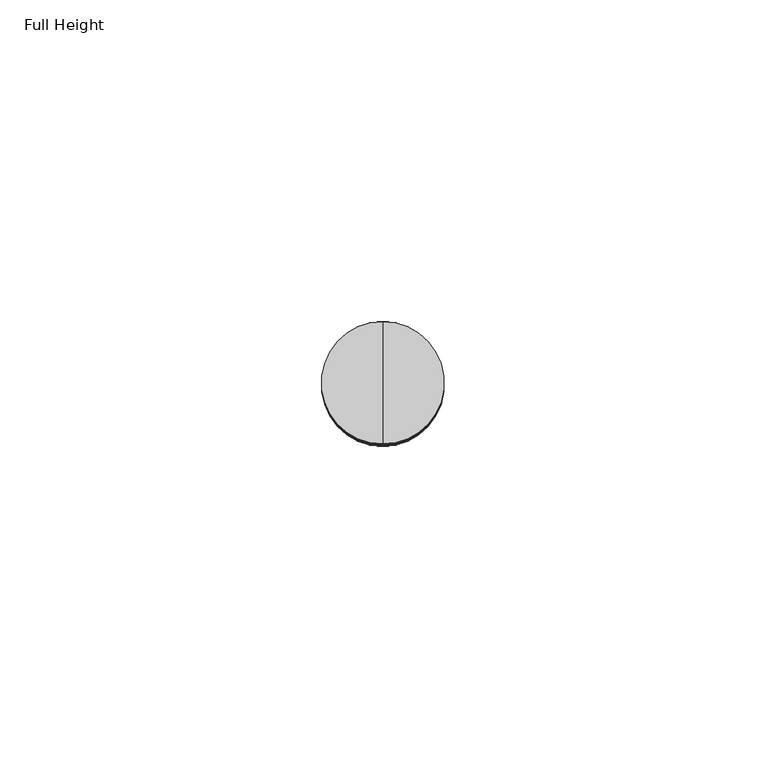
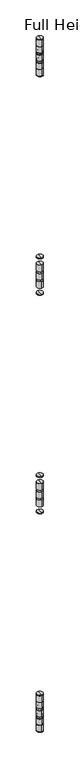
"""IFC4 building model written with IfcOpenShell, lengths in millimetres: plate geometry, Full Height."""

from ifc_helpers import new_model, si_unit, point, frame, origin, place, context, project, spatial, circle_curve, ellipse_curve, trimmed, source, transform, mapped, element, save
from ifc_brep_helpers import plane_surface, cylinder_surface, revolved_surface, advanced_brep


def full_height_46239045(model_context):
    return source(origin(), model_context, "Body", "AdvancedBrep", [
        advanced_brep(
        [(-465.828787, -50.0126, 1736.7673333), (-465.828787, -30.9626, 1736.7673333), (-465.828787, -40.4876, 1736.7673333), (-465.828787, -40.4876, 1716.4473333), (-465.828787, -50.0126, 1716.4473333), (-465.828787, -30.9626, 1716.4473333)],
        [
            (0, 1, circle_curve(frame((-465.828787, -40.4876, 1736.7673333), z_axis=(0.0, 0.0, 1.0), x_axis=(0.0, -1.0, 0.0)), 9.525)),
            (1, 2),
            (2, 0),
            (3, 4),
            (4, 5, circle_curve(frame((-465.828787, -40.4876, 1716.4473333), z_axis=(0.0, 0.0, -1.0), x_axis=(0.0, -1.0, 0.0)), 9.525)),
            (5, 3),
            (4, 0),
            (0, 1, circle_curve(frame((-465.828787, -40.4876, 1736.7673333), z_axis=(0.0, 0.0, -1.0), x_axis=(0.0, -1.0, 0.0)), 9.525)),
            (1, 5),
            (4, 5, circle_curve(frame((-465.828787, -40.4876, 1716.4473333), z_axis=(0.0, 0.0, 1.0), x_axis=(0.0, -1.0, 0.0)), 9.525)),
        ],
        [
            plane_surface(frame((-465.828787, -40.4876, 1736.7673333), z_axis=(0.0, 0.0, 1.0), x_axis=(0.0, -1.0, 0.0))),
            plane_surface(frame((-465.828787, -40.4876, 1716.4473333), z_axis=(0.0, 0.0, -1.0), x_axis=(0.0, -1.0, 0.0))),
            cylinder_surface(frame((-465.828787, -40.4876, 1850.3053333), z_axis=(0.0, 0.0, -1.0), x_axis=(0.0, -1.0, 0.0)), 9.525),
        ],
        [
            (0, [[1, 2, 3]]),
            (1, [[4, 5, 6]]),
            (2, [[-5, 7, 8, 9]]),
            (2, [[10, -9, -1, -7]]),
            (1, [[-6, -10, -4]]),
            (0, [[-8, -3, -2]]),
        ],
    ),
        advanced_brep(
        [(-465.828787, -50.0126, 1689.7773333), (-465.828787, -30.9626, 1689.7773333), (-465.828787, -30.9626, 1710.0973333), (-465.828787, -50.0126, 1710.0973333), (-465.828787, -40.4876, 1689.7773333), (-465.828787, -40.4876, 1710.0973333)],
        [
            (0, 1, circle_curve(frame((-465.828787, -40.4876, 1689.7773333), z_axis=(0.0, 0.0, 1.0), x_axis=(0.0, -1.0, 0.0)), 9.525)),
            (1, 2),
            (2, 3, circle_curve(frame((-465.828787, -40.4876, 1710.0973333), z_axis=(0.0, 0.0, -1.0), x_axis=(0.0, -1.0, 0.0)), 9.525)),
            (3, 0),
            (4, 1),
            (0, 4),
            (2, 5),
            (5, 3),
            (1, 0, circle_curve(frame((-465.828787, -40.4876, 1689.7773333), z_axis=(0.0, 0.0, 1.0), x_axis=(0.0, -1.0, 0.0)), 9.525)),
            (3, 2, circle_curve(frame((-465.828787, -40.4876, 1710.0973333), z_axis=(0.0, 0.0, -1.0), x_axis=(0.0, -1.0, 0.0)), 9.525)),
        ],
        [
            cylinder_surface(frame((-465.828787, -40.4876, 1850.3053333), z_axis=(0.0, 0.0, -1.0), x_axis=(0.0, -1.0, 0.0)), 9.525),
            plane_surface(frame((-465.828787, -40.4876, 1689.7773333), z_axis=(0.0, 0.0, -1.0), x_axis=(0.0, -1.0, 0.0))),
            plane_surface(frame((-465.828787, -40.4876, 1710.0973333), z_axis=(0.0, 0.0, 1.0), x_axis=(0.0, -1.0, 0.0))),
        ],
        [
            (0, [[1, 2, 3, 4]]),
            (1, [[5, -1, 6]]),
            (2, [[-3, 7, 8]]),
            (0, [[9, -4, 10, -2]]),
            (1, [[-6, -9, -5]]),
            (2, [[-10, -8, -7]]),
        ],
    ),
        advanced_brep(
        [(-465.828787, -40.4876, 1667.4253333), (-465.828787, -30.9626, 1667.4253333), (-465.828787, -50.0126, 1667.4253333), (-465.828787, -50.0126, 1669.4573333), (-465.828787, -30.9626, 1669.4573333), (-465.828787, -40.4876, 1669.4573333)],
        [
            (0, 1),
            (1, 2, circle_curve(frame((-465.828787, -40.4876, 1667.4253333), z_axis=(0.0, 0.0, -1.0), x_axis=(0.0, -1.0, 0.0)), 9.525)),
            (2, 0),
            (3, 4, circle_curve(frame((-465.828787, -40.4876, 1669.4573333), z_axis=(0.0, 0.0, 1.0), x_axis=(0.0, -1.0, 0.0)), 9.525)),
            (4, 5),
            (5, 3),
            (1, 4),
            (3, 2),
            (2, 1, circle_curve(frame((-465.828787, -40.4876, 1667.4253333), z_axis=(0.0, 0.0, -1.0), x_axis=(0.0, -1.0, 0.0)), 9.525)),
            (4, 3, circle_curve(frame((-465.828787, -40.4876, 1669.4573333), z_axis=(0.0, 0.0, 1.0), x_axis=(0.0, -1.0, 0.0)), 9.525)),
        ],
        [
            plane_surface(frame((-465.828787, -40.4876, 1667.4253333), z_axis=(0.0, 0.0, -1.0), x_axis=(0.0, -1.0, 0.0))),
            plane_surface(frame((-465.828787, -40.4876, 1669.4573333), z_axis=(0.0, 0.0, 1.0), x_axis=(0.0, -1.0, 0.0))),
            cylinder_surface(frame((-465.828787, -40.4876, 1850.3053333), z_axis=(0.0, 0.0, -1.0), x_axis=(0.0, -1.0, 0.0)), 9.525),
        ],
        [
            (0, [[1, 2, 3]]),
            (1, [[4, 5, 6]]),
            (2, [[-2, 7, -4, 8]]),
            (0, [[-3, 9, -1]]),
            (1, [[10, -6, -5]]),
            (2, [[-9, -8, -10, -7]]),
        ],
    ),
        advanced_brep(
        [(-465.828787, -40.4876, 1041.7386667), (-465.828787, -50.0126, 1041.7386667), (-465.828787, -30.9626, 1041.7386667), (-465.828787, -50.0126, 1062.0586667), (-465.828787, -30.9626, 1062.0586667), (-465.828787, -40.4876, 1062.0586667)],
        [
            (0, 1),
            (1, 2, circle_curve(frame((-465.828787, -40.4876, 1041.7386667), z_axis=(0.0, 0.0, -1.0), x_axis=(0.0, -1.0, 0.0)), 9.525)),
            (2, 0),
            (1, 3),
            (3, 4, circle_curve(frame((-465.828787, -40.4876, 1062.0586667), z_axis=(0.0, 0.0, -1.0), x_axis=(0.0, -1.0, 0.0)), 9.525)),
            (4, 2),
            (1, 2, circle_curve(frame((-465.828787, -40.4876, 1041.7386667), z_axis=(0.0, 0.0, 1.0), x_axis=(0.0, -1.0, 0.0)), 9.525)),
            (4, 3, circle_curve(frame((-465.828787, -40.4876, 1062.0586667), z_axis=(0.0, 0.0, -1.0), x_axis=(0.0, -1.0, 0.0)), 9.525)),
            (3, 5),
            (5, 4),
        ],
        [
            plane_surface(frame((-465.828787, -40.4876, 1041.7386667), z_axis=(0.0, 0.0, -1.0), x_axis=(0.0, -1.0, 0.0))),
            cylinder_surface(frame((-465.828787, -40.4876, 1850.3053333), z_axis=(0.0, 0.0, -1.0), x_axis=(0.0, -1.0, 0.0)), 9.525),
            plane_surface(frame((-465.828787, -40.4876, 1062.0586667), z_axis=(0.0, 0.0, 1.0), x_axis=(0.0, -1.0, 0.0))),
        ],
        [
            (0, [[1, 2, 3]]),
            (1, [[-2, 4, 5, 6]]),
            (1, [[7, -6, 8, -4]]),
            (0, [[-3, -7, -1]]),
            (2, [[-5, 9, 10]]),
            (2, [[-8, -10, -9]]),
        ],
    ),
        advanced_brep(
        [(-465.828787, -30.9626, 988.3986667), (-465.828787, -50.0126, 988.3986667), (-465.828787, -50.0126, 1008.7186667), (-465.828787, -30.9626, 1008.7186667), (-465.828787, -40.4876, 1008.7186667), (-465.828787, -40.4876, 988.3986667)],
        [
            (0, 1, circle_curve(frame((-465.828787, -40.4876, 988.3986667), z_axis=(0.0, 0.0, 1.0), x_axis=(0.0, -1.0, 0.0)), 9.525)),
            (1, 2),
            (2, 3, circle_curve(frame((-465.828787, -40.4876, 1008.7186667), z_axis=(0.0, 0.0, -1.0), x_axis=(0.0, -1.0, 0.0)), 9.525)),
            (3, 0),
            (1, 0, circle_curve(frame((-465.828787, -40.4876, 988.3986667), z_axis=(0.0, 0.0, 1.0), x_axis=(0.0, -1.0, 0.0)), 9.525)),
            (3, 2, circle_curve(frame((-465.828787, -40.4876, 1008.7186667), z_axis=(0.0, 0.0, -1.0), x_axis=(0.0, -1.0, 0.0)), 9.525)),
            (2, 4),
            (4, 3),
            (5, 1),
            (0, 5),
        ],
        [
            cylinder_surface(frame((-465.828787, -40.4876, 1850.3053333), z_axis=(0.0, 0.0, -1.0), x_axis=(0.0, -1.0, 0.0)), 9.525),
            plane_surface(frame((-465.828787, -40.4876, 1008.7186667), z_axis=(0.0, 0.0, 1.0), x_axis=(0.0, -1.0, 0.0))),
            plane_surface(frame((-465.828787, -40.4876, 988.3986667), z_axis=(0.0, 0.0, -1.0), x_axis=(0.0, -1.0, 0.0))),
        ],
        [
            (0, [[1, 2, 3, 4]]),
            (0, [[5, -4, 6, -2]]),
            (1, [[-3, 7, 8]]),
            (1, [[-6, -8, -7]]),
            (2, [[9, -1, 10]]),
            (2, [[-10, -5, -9]]),
        ],
    ),
        advanced_brep(
        [(-465.828787, -30.9626, 1082.3786667), (-465.828787, -50.0126, 1082.3786667), (-465.828787, -50.0126, 1084.4106667), (-465.828787, -30.9626, 1084.4106667), (-465.828787, -40.4876, 1082.3786667), (-465.828787, -40.4876, 1084.4106667)],
        [
            (0, 1, circle_curve(frame((-465.828787, -40.4876, 1082.3786667), z_axis=(0.0, 0.0, 1.0), x_axis=(0.0, -1.0, 0.0)), 9.525)),
            (1, 2),
            (2, 3, circle_curve(frame((-465.828787, -40.4876, 1084.4106667), z_axis=(0.0, 0.0, -1.0), x_axis=(0.0, -1.0, 0.0)), 9.525)),
            (3, 0),
            (1, 0, circle_curve(frame((-465.828787, -40.4876, 1082.3786667), z_axis=(0.0, 0.0, 1.0), x_axis=(0.0, -1.0, 0.0)), 9.525)),
            (3, 2, circle_curve(frame((-465.828787, -40.4876, 1084.4106667), z_axis=(0.0, 0.0, -1.0), x_axis=(0.0, -1.0, 0.0)), 9.525)),
            (4, 1),
            (0, 4),
            (2, 5),
            (5, 3),
        ],
        [
            cylinder_surface(frame((-465.828787, -40.4876, 1850.3053333), z_axis=(0.0, 0.0, -1.0), x_axis=(0.0, -1.0, 0.0)), 9.525),
            plane_surface(frame((-465.828787, -40.4876, 1082.3786667), z_axis=(0.0, 0.0, -1.0), x_axis=(0.0, -1.0, 0.0))),
            plane_surface(frame((-465.828787, -40.4876, 1084.4106667), z_axis=(0.0, 0.0, 1.0), x_axis=(0.0, -1.0, 0.0))),
        ],
        [
            (0, [[1, 2, 3, 4]]),
            (0, [[5, -4, 6, -2]]),
            (1, [[7, -1, 8]]),
            (1, [[-8, -5, -7]]),
            (2, [[-3, 9, 10]]),
            (2, [[-6, -10, -9]]),
        ],
    ),
        advanced_brep(
        [(-465.828787, -30.9626, 1015.0686667), (-465.828787, -50.0126, 1015.0686667), (-465.828787, -50.0126, 1035.3886667), (-465.828787, -30.9626, 1035.3886667), (-465.828787, -40.4876, 1015.0686667), (-465.828787, -40.4876, 1035.3886667)],
        [
            (0, 1, circle_curve(frame((-465.828787, -40.4876, 1015.0686667), z_axis=(0.0, 0.0, 1.0), x_axis=(0.0, -1.0, 0.0)), 9.525)),
            (1, 2),
            (2, 3, circle_curve(frame((-465.828787, -40.4876, 1035.3886667), z_axis=(0.0, 0.0, -1.0), x_axis=(0.0, -1.0, 0.0)), 9.525)),
            (3, 0),
            (1, 0, circle_curve(frame((-465.828787, -40.4876, 1015.0686667), z_axis=(0.0, 0.0, 1.0), x_axis=(0.0, -1.0, 0.0)), 9.525)),
            (3, 2, circle_curve(frame((-465.828787, -40.4876, 1035.3886667), z_axis=(0.0, 0.0, -1.0), x_axis=(0.0, -1.0, 0.0)), 9.525)),
            (4, 1),
            (0, 4),
            (2, 5),
            (5, 3),
        ],
        [
            cylinder_surface(frame((-465.828787, -40.4876, 1850.3053333), z_axis=(0.0, 0.0, -1.0), x_axis=(0.0, -1.0, 0.0)), 9.525),
            plane_surface(frame((-465.828787, -40.4876, 1015.0686667), z_axis=(0.0, 0.0, -1.0), x_axis=(0.0, -1.0, 0.0))),
            plane_surface(frame((-465.828787, -40.4876, 1035.3886667), z_axis=(0.0, 0.0, 1.0), x_axis=(0.0, -1.0, 0.0))),
        ],
        [
            (0, [[1, 2, 3, 4]]),
            (0, [[5, -4, 6, -2]]),
            (1, [[7, -1, 8]]),
            (1, [[-8, -5, -7]]),
            (2, [[-3, 9, 10]]),
            (2, [[-6, -10, -9]]),
        ],
    ),
        advanced_brep(
        [(-465.828787, -30.9626, 966.0466667), (-465.828787, -50.0126, 966.0466667), (-465.828787, -50.0126, 968.0786667), (-465.828787, -30.9626, 968.0786667), (-465.828787, -40.4876, 966.0466667), (-465.828787, -40.4876, 968.0786667)],
        [
            (0, 1, circle_curve(frame((-465.828787, -40.4876, 966.0466667), z_axis=(0.0, 0.0, 1.0), x_axis=(0.0, -1.0, 0.0)), 9.525)),
            (1, 2),
            (2, 3, circle_curve(frame((-465.828787, -40.4876, 968.0786667), z_axis=(0.0, 0.0, -1.0), x_axis=(0.0, -1.0, 0.0)), 9.525)),
            (3, 0),
            (1, 0, circle_curve(frame((-465.828787, -40.4876, 966.0466667), z_axis=(0.0, 0.0, 1.0), x_axis=(0.0, -1.0, 0.0)), 9.525)),
            (3, 2, circle_curve(frame((-465.828787, -40.4876, 968.0786667), z_axis=(0.0, 0.0, -1.0), x_axis=(0.0, -1.0, 0.0)), 9.525)),
            (4, 1),
            (0, 4),
            (2, 5),
            (5, 3),
        ],
        [
            cylinder_surface(frame((-465.828787, -40.4876, 1850.3053333), z_axis=(0.0, 0.0, -1.0), x_axis=(0.0, -1.0, 0.0)), 9.525),
            plane_surface(frame((-465.828787, -40.4876, 966.0466667), z_axis=(0.0, 0.0, -1.0), x_axis=(0.0, -1.0, 0.0))),
            plane_surface(frame((-465.828787, -40.4876, 968.0786667), z_axis=(0.0, 0.0, 1.0), x_axis=(0.0, -1.0, 0.0))),
        ],
        [
            (0, [[1, 2, 3, 4]]),
            (0, [[5, -4, 6, -2]]),
            (1, [[7, -1, 8]]),
            (1, [[-8, -5, -7]]),
            (2, [[-3, 9, 10]]),
            (2, [[-6, -10, -9]]),
        ],
    ),
        advanced_brep(
        [(-465.828787, -30.9626, 1783.7573333), (-465.828787, -50.0126, 1783.7573333), (-465.828787, -50.0126, 1785.7893333), (-465.828787, -30.9626, 1785.7893333), (-465.828787, -40.4876, 1783.7573333), (-465.828787, -40.4876, 1785.7893333)],
        [
            (0, 1, circle_curve(frame((-465.828787, -40.4876, 1783.7573333), z_axis=(0.0, 0.0, 1.0), x_axis=(0.0, -1.0, 0.0)), 9.525)),
            (1, 2),
            (2, 3, circle_curve(frame((-465.828787, -40.4876, 1785.7893333), z_axis=(0.0, 0.0, -1.0), x_axis=(0.0, -1.0, 0.0)), 9.525)),
            (3, 0),
            (1, 0, circle_curve(frame((-465.828787, -40.4876, 1783.7573333), z_axis=(0.0, 0.0, 1.0), x_axis=(0.0, -1.0, 0.0)), 9.525)),
            (3, 2, circle_curve(frame((-465.828787, -40.4876, 1785.7893333), z_axis=(0.0, 0.0, -1.0), x_axis=(0.0, -1.0, 0.0)), 9.525)),
            (4, 1),
            (0, 4),
            (2, 5),
            (5, 3),
        ],
        [
            cylinder_surface(frame((-465.828787, -40.4876, 1850.3053333), z_axis=(0.0, 0.0, -1.0), x_axis=(0.0, -1.0, 0.0)), 9.525),
            plane_surface(frame((-465.828787, -40.4876, 1783.7573333), z_axis=(0.0, 0.0, -1.0), x_axis=(0.0, -1.0, 0.0))),
            plane_surface(frame((-465.828787, -40.4876, 1785.7893333), z_axis=(0.0, 0.0, 1.0), x_axis=(0.0, -1.0, 0.0))),
        ],
        [
            (0, [[1, 2, 3, 4]]),
            (0, [[5, -4, 6, -2]]),
            (1, [[7, -1, 8]]),
            (1, [[-8, -5, -7]]),
            (2, [[-3, 9, 10]]),
            (2, [[-6, -10, -9]]),
        ],
    ),
        advanced_brep(
        [(-465.828787, -30.9626, 1743.1173333), (-465.828787, -50.0126, 1743.1173333), (-465.828787, -50.0126, 1763.4373333), (-465.828787, -30.9626, 1763.4373333), (-465.828787, -40.4876, 1743.1173333), (-465.828787, -40.4876, 1763.4373333)],
        [
            (0, 1, circle_curve(frame((-465.828787, -40.4876, 1743.1173333), z_axis=(0.0, 0.0, 1.0), x_axis=(0.0, -1.0, 0.0)), 9.525)),
            (1, 2),
            (2, 3, circle_curve(frame((-465.828787, -40.4876, 1763.4373333), z_axis=(0.0, 0.0, -1.0), x_axis=(0.0, -1.0, 0.0)), 9.525)),
            (3, 0),
            (1, 0, circle_curve(frame((-465.828787, -40.4876, 1743.1173333), z_axis=(0.0, 0.0, 1.0), x_axis=(0.0, -1.0, 0.0)), 9.525)),
            (3, 2, circle_curve(frame((-465.828787, -40.4876, 1763.4373333), z_axis=(0.0, 0.0, -1.0), x_axis=(0.0, -1.0, 0.0)), 9.525)),
            (4, 1),
            (0, 4),
            (2, 5),
            (5, 3),
        ],
        [
            cylinder_surface(frame((-465.828787, -40.4876, 1850.3053333), z_axis=(0.0, 0.0, -1.0), x_axis=(0.0, -1.0, 0.0)), 9.525),
            plane_surface(frame((-465.828787, -40.4876, 1743.1173333), z_axis=(0.0, 0.0, -1.0), x_axis=(0.0, -1.0, 0.0))),
            plane_surface(frame((-465.828787, -40.4876, 1763.4373333), z_axis=(0.0, 0.0, 1.0), x_axis=(0.0, -1.0, 0.0))),
        ],
        [
            (0, [[1, 2, 3, 4]]),
            (0, [[5, -4, 6, -2]]),
            (1, [[7, -1, 8]]),
            (1, [[-8, -5, -7]]),
            (2, [[-3, 9, 10]]),
            (2, [[-6, -10, -9]]),
        ],
    ),
        advanced_brep(
        [(-465.828787, -49.5046, 2438.146), (-465.828787, -31.4706, 2438.146), (-465.828787, -30.9626, 2438.654), (-465.828787, -50.0126, 2438.654), (-465.828787, -31.4706, 2444.496), (-465.828787, -49.5046, 2444.496), (-465.828787, -40.4876, 2444.496), (-465.828787, -50.0126, 2443.988), (-465.828787, -30.9626, 2443.988), (-465.828787, -40.4876, 2438.146)],
        [
            (0, 1, circle_curve(frame((-465.828787, -40.4876, 2438.146), z_axis=(0.0, 0.0, 1.0), x_axis=(0.0, -1.0, 0.0)), 9.017)),
            (1, 2, circle_curve(frame((-465.828787, -31.4706, 2438.654), z_axis=(1.0, 0.0, 0.0), x_axis=(0.0, -1.0, 0.0)), 0.508)),
            (2, 3, circle_curve(frame((-465.828787, -40.4876, 2438.654), z_axis=(0.0, 0.0, -1.0), x_axis=(0.0, -1.0, 0.0)), 9.525)),
            (3, 0, circle_curve(frame((-465.828787, -49.5046, 2438.654), z_axis=(1.0, 0.0, 0.0), x_axis=(0.0, 1.0, 0.0)), 0.508)),
            (4, 5, circle_curve(frame((-465.828787, -40.4876, 2444.496), z_axis=(0.0, 0.0, 1.0), x_axis=(0.0, -1.0, 0.0)), 9.017)),
            (5, 6),
            (6, 4),
            (2, 3, circle_curve(frame((-465.828787, -40.4876, 2438.654), z_axis=(0.0, 0.0, 1.0), x_axis=(0.0, -1.0, 0.0)), 9.525)),
            (3, 7),
            (7, 8, circle_curve(frame((-465.828787, -40.4876, 2443.988), z_axis=(0.0, 0.0, -1.0), x_axis=(0.0, -1.0, 0.0)), 9.525)),
            (8, 2),
            (8, 7, circle_curve(frame((-465.828787, -40.4876, 2443.988), z_axis=(0.0, 0.0, -1.0), x_axis=(0.0, -1.0, 0.0)), 9.525)),
            (9, 0),
            (0, 1, circle_curve(frame((-465.828787, -40.4876, 2438.146), z_axis=(0.0, 0.0, -1.0), x_axis=(0.0, -1.0, 0.0)), 9.017)),
            (1, 9),
            (5, 4, circle_curve(frame((-465.828787, -40.4876, 2444.496), z_axis=(0.0, 0.0, 1.0), x_axis=(0.0, -1.0, 0.0)), 9.017)),
            (7, 5, circle_curve(frame((-465.828787, -49.5046, 2443.988), z_axis=(-1.0, 0.0, 0.0), x_axis=(0.0, 1.0, 0.0)), 0.508)),
            (4, 8, circle_curve(frame((-465.828787, -31.4706, 2443.988), z_axis=(-1.0, 0.0, 0.0), x_axis=(0.0, -1.0, 0.0)), 0.508)),
        ],
        [
            revolved_surface(trimmed(ellipse_curve(frame((-465.828787, -49.5046, 2438.654), z_axis=(1.0, 0.0, 0.0), x_axis=(0.0, 1.0, 0.0)), 0.508, 0.508), [point((-465.828787, -50.0126, 2438.654))], [point((-465.828787, -49.5046, 2438.146))], True, "CARTESIAN"), (-465.828787, -40.4876, 2501.646), (0.0, 0.0, -1.0)),
            plane_surface(frame((-465.828787, -40.4876, 2444.496), z_axis=(0.0, 0.0, 1.0), x_axis=(0.0, -1.0, 0.0))),
            cylinder_surface(frame((-465.828787, -40.4876, 2501.646), z_axis=(0.0, 0.0, -1.0), x_axis=(0.0, -1.0, 0.0)), 9.525),
            plane_surface(frame((-465.828787, -40.4876, 2438.146), z_axis=(0.0, 0.0, -1.0), x_axis=(0.0, -1.0, 0.0))),
            revolved_surface(trimmed(ellipse_curve(frame((-465.828787, -49.5046, 2443.988), z_axis=(1.0, 0.0, 0.0), x_axis=(0.0, 1.0, 0.0)), 0.508, 0.508), [point((-465.828787, -49.5046, 2444.496))], [point((-465.828787, -50.0126, 2443.988))], True, "CARTESIAN"), (-465.828787, -40.4876, 2501.646), (0.0, 0.0, -1.0)),
        ],
        [
            (0, [[1, 2, 3, 4]]),
            (1, [[5, 6, 7]]),
            (2, [[8, 9, 10, 11]]),
            (2, [[-3, -11, 12, -9]]),
            (3, [[13, 14, 15]]),
            (3, [[-15, -1, -13]]),
            (1, [[16, -7, -6]]),
            (4, [[-10, 17, -5, 18]]),
            (4, [[-12, -18, -16, -17]]),
            (0, [[-14, -4, -8, -2]]),
        ],
    ),
        advanced_brep(
        [(-465.828787, -31.4706, 2411.476), (-465.828787, -49.5046, 2411.476), (-465.828787, -50.0126, 2411.984), (-465.828787, -30.9626, 2411.984), (-465.828787, -30.9626, 2417.318), (-465.828787, -50.0126, 2417.318), (-465.828787, -49.5046, 2417.826), (-465.828787, -31.4706, 2417.826), (-465.828787, -40.4876, 2417.826), (-465.828787, -40.4876, 2411.476)],
        [
            (0, 1, circle_curve(frame((-465.828787, -40.4876, 2411.476), z_axis=(0.0, 0.0, 1.0), x_axis=(0.0, -1.0, 0.0)), 9.017)),
            (1, 2, circle_curve(frame((-465.828787, -49.5046, 2411.984), z_axis=(-1.0, 0.0, 0.0), x_axis=(0.0, 1.0, 0.0)), 0.508)),
            (2, 3, circle_curve(frame((-465.828787, -40.4876, 2411.984), z_axis=(0.0, 0.0, -1.0), x_axis=(0.0, -1.0, 0.0)), 9.525)),
            (3, 0, circle_curve(frame((-465.828787, -31.4706, 2411.984), z_axis=(-1.0, 0.0, 0.0), x_axis=(0.0, -1.0, 0.0)), 0.508)),
            (1, 0, circle_curve(frame((-465.828787, -40.4876, 2411.476), z_axis=(0.0, 0.0, 1.0), x_axis=(0.0, -1.0, 0.0)), 9.017)),
            (3, 2, circle_curve(frame((-465.828787, -40.4876, 2411.984), z_axis=(0.0, 0.0, -1.0), x_axis=(0.0, -1.0, 0.0)), 9.525)),
            (3, 4),
            (4, 5, circle_curve(frame((-465.828787, -40.4876, 2417.318), z_axis=(0.0, 0.0, -1.0), x_axis=(0.0, -1.0, 0.0)), 9.525)),
            (5, 2),
            (6, 7, circle_curve(frame((-465.828787, -40.4876, 2417.826), z_axis=(0.0, 0.0, 1.0), x_axis=(0.0, -1.0, 0.0)), 9.017)),
            (7, 8),
            (8, 6),
            (5, 4, circle_curve(frame((-465.828787, -40.4876, 2417.318), z_axis=(0.0, 0.0, -1.0), x_axis=(0.0, -1.0, 0.0)), 9.525)),
            (9, 1),
            (0, 9),
            (7, 6, circle_curve(frame((-465.828787, -40.4876, 2417.826), z_axis=(0.0, 0.0, 1.0), x_axis=(0.0, -1.0, 0.0)), 9.017)),
            (5, 6, circle_curve(frame((-465.828787, -49.5046, 2417.318), z_axis=(-1.0, 0.0, 0.0), x_axis=(0.0, 1.0, 0.0)), 0.508)),
            (7, 4, circle_curve(frame((-465.828787, -31.4706, 2417.318), z_axis=(-1.0, 0.0, 0.0), x_axis=(0.0, -1.0, 0.0)), 0.508)),
        ],
        [
            revolved_surface(trimmed(ellipse_curve(frame((-465.828787, -49.5046, 2411.984), z_axis=(1.0, 0.0, 0.0), x_axis=(0.0, 1.0, 0.0)), 0.508, 0.508), [point((-465.828787, -50.0126, 2411.984))], [point((-465.828787, -49.5046, 2411.476))], True, "CARTESIAN"), (-465.828787, -40.4876, 2501.646), (0.0, 0.0, -1.0)),
            cylinder_surface(frame((-465.828787, -40.4876, 2501.646), z_axis=(0.0, 0.0, -1.0), x_axis=(0.0, -1.0, 0.0)), 9.525),
            plane_surface(frame((-465.828787, -40.4876, 2417.826), z_axis=(0.0, 0.0, 1.0), x_axis=(0.0, -1.0, 0.0))),
            plane_surface(frame((-465.828787, -40.4876, 2411.476), z_axis=(0.0, 0.0, -1.0), x_axis=(0.0, -1.0, 0.0))),
            revolved_surface(trimmed(ellipse_curve(frame((-465.828787, -49.5046, 2417.318), z_axis=(1.0, 0.0, 0.0), x_axis=(0.0, 1.0, 0.0)), 0.508, 0.508), [point((-465.828787, -49.5046, 2417.826))], [point((-465.828787, -50.0126, 2417.318))], True, "CARTESIAN"), (-465.828787, -40.4876, 2501.646), (0.0, 0.0, -1.0)),
        ],
        [
            (0, [[1, 2, 3, 4]]),
            (0, [[5, -4, 6, -2]]),
            (1, [[-6, 7, 8, 9]]),
            (2, [[10, 11, 12]]),
            (1, [[-3, -9, 13, -7]]),
            (3, [[14, -1, 15]]),
            (3, [[-15, -5, -14]]),
            (2, [[16, -12, -11]]),
            (4, [[-13, 17, -16, 18]]),
            (4, [[-8, -18, -10, -17]]),
        ],
    ),
        advanced_brep(
        [(-465.828787, -49.5046, 313.69), (-465.828787, -31.4706, 313.69), (-465.828787, -40.4876, 313.69), (-465.828787, -50.0126, 313.182), (-465.828787, -30.9626, 313.182), (-465.828787, -30.9626, 307.848), (-465.828787, -50.0126, 307.848), (-465.828787, -40.4876, 307.34), (-465.828787, -31.4706, 307.34), (-465.828787, -49.5046, 307.34)],
        [
            (0, 1, circle_curve(frame((-465.828787, -40.4876, 313.69), z_axis=(0.0, 0.0, 1.0), x_axis=(0.0, -1.0, 0.0)), 9.017)),
            (1, 2),
            (2, 0),
            (3, 4, circle_curve(frame((-465.828787, -40.4876, 313.182), z_axis=(0.0, 0.0, 1.0), x_axis=(0.0, -1.0, 0.0)), 9.525)),
            (4, 1, circle_curve(frame((-465.828787, -31.4706, 313.182), z_axis=(1.0, 0.0, 0.0), x_axis=(0.0, -1.0, 0.0)), 0.508)),
            (0, 3, circle_curve(frame((-465.828787, -49.5046, 313.182), z_axis=(1.0, 0.0, 0.0), x_axis=(0.0, 1.0, 0.0)), 0.508)),
            (5, 6, circle_curve(frame((-465.828787, -40.4876, 307.848), z_axis=(0.0, 0.0, 1.0), x_axis=(0.0, -1.0, 0.0)), 9.525)),
            (6, 3),
            (3, 4, circle_curve(frame((-465.828787, -40.4876, 313.182), z_axis=(0.0, 0.0, -1.0), x_axis=(0.0, -1.0, 0.0)), 9.525)),
            (4, 5),
            (7, 8),
            (8, 9, circle_curve(frame((-465.828787, -40.4876, 307.34), z_axis=(0.0, 0.0, -1.0), x_axis=(0.0, -1.0, 0.0)), 9.017)),
            (9, 7),
            (6, 5, circle_curve(frame((-465.828787, -40.4876, 307.848), z_axis=(0.0, 0.0, 1.0), x_axis=(0.0, -1.0, 0.0)), 9.525)),
            (9, 8, circle_curve(frame((-465.828787, -40.4876, 307.34), z_axis=(0.0, 0.0, -1.0), x_axis=(0.0, -1.0, 0.0)), 9.017)),
            (1, 0, circle_curve(frame((-465.828787, -40.4876, 313.69), z_axis=(0.0, 0.0, 1.0), x_axis=(0.0, -1.0, 0.0)), 9.017)),
            (9, 6, circle_curve(frame((-465.828787, -49.5046, 307.848), z_axis=(-1.0, 0.0, 0.0), x_axis=(0.0, 1.0, 0.0)), 0.508)),
            (5, 8, circle_curve(frame((-465.828787, -31.4706, 307.848), z_axis=(-1.0, 0.0, 0.0), x_axis=(0.0, -1.0, 0.0)), 0.508)),
        ],
        [
            plane_surface(frame((-465.828787, -40.4876, 313.69), z_axis=(0.0, 0.0, 1.0), x_axis=(0.0, -1.0, 0.0))),
            revolved_surface(trimmed(ellipse_curve(frame((-465.828787, -49.5046, 313.182), z_axis=(1.0, 0.0, 0.0), x_axis=(0.0, 1.0, 0.0)), 0.508, 0.508), [point((-465.828787, -49.5046, 313.69))], [point((-465.828787, -50.0126, 313.182))], True, "CARTESIAN"), (-465.828787, -40.4876, 2501.646), (0.0, 0.0, -1.0)),
            cylinder_surface(frame((-465.828787, -40.4876, 2501.646), z_axis=(0.0, 0.0, -1.0), x_axis=(0.0, -1.0, 0.0)), 9.525),
            plane_surface(frame((-465.828787, -40.4876, 307.34), z_axis=(0.0, 0.0, -1.0), x_axis=(0.0, -1.0, 0.0))),
            revolved_surface(trimmed(ellipse_curve(frame((-465.828787, -49.5046, 307.848), z_axis=(1.0, 0.0, 0.0), x_axis=(0.0, 1.0, 0.0)), 0.508, 0.508), [point((-465.828787, -50.0126, 307.848))], [point((-465.828787, -49.5046, 307.34))], True, "CARTESIAN"), (-465.828787, -40.4876, 2501.646), (0.0, 0.0, -1.0)),
        ],
        [
            (0, [[1, 2, 3]]),
            (1, [[4, 5, -1, 6]]),
            (2, [[7, 8, 9, 10]]),
            (3, [[11, 12, 13]]),
            (2, [[14, -10, -4, -8]]),
            (3, [[-13, 15, -11]]),
            (0, [[16, -3, -2]]),
            (1, [[-9, -6, -16, -5]]),
            (4, [[-15, 17, -7, 18]]),
            (4, [[-12, -18, -14, -17]]),
        ],
    ),
        advanced_brep(
        [(-465.828787, -50.0126, 334.518), (-465.828787, -30.9626, 334.518), (-465.828787, -30.9626, 339.852), (-465.828787, -50.0126, 339.852), (-465.828787, -40.4876, 334.01), (-465.828787, -49.5046, 334.01), (-465.828787, -31.4706, 334.01), (-465.828787, -31.4706, 340.36), (-465.828787, -49.5046, 340.36), (-465.828787, -40.4876, 340.36)],
        [
            (0, 1, circle_curve(frame((-465.828787, -40.4876, 334.518), z_axis=(0.0, 0.0, 1.0), x_axis=(0.0, -1.0, 0.0)), 9.525)),
            (1, 2),
            (2, 3, circle_curve(frame((-465.828787, -40.4876, 339.852), z_axis=(0.0, 0.0, -1.0), x_axis=(0.0, -1.0, 0.0)), 9.525)),
            (3, 0),
            (1, 0, circle_curve(frame((-465.828787, -40.4876, 334.518), z_axis=(0.0, 0.0, 1.0), x_axis=(0.0, -1.0, 0.0)), 9.525)),
            (3, 2, circle_curve(frame((-465.828787, -40.4876, 339.852), z_axis=(0.0, 0.0, -1.0), x_axis=(0.0, -1.0, 0.0)), 9.525)),
            (4, 5),
            (5, 6, circle_curve(frame((-465.828787, -40.4876, 334.01), z_axis=(0.0, 0.0, -1.0), x_axis=(0.0, -1.0, 0.0)), 9.017)),
            (6, 4),
            (6, 5, circle_curve(frame((-465.828787, -40.4876, 334.01), z_axis=(0.0, 0.0, -1.0), x_axis=(0.0, -1.0, 0.0)), 9.017)),
            (7, 8, circle_curve(frame((-465.828787, -40.4876, 340.36), z_axis=(0.0, 0.0, 1.0), x_axis=(0.0, -1.0, 0.0)), 9.017)),
            (8, 9),
            (9, 7),
            (8, 7, circle_curve(frame((-465.828787, -40.4876, 340.36), z_axis=(0.0, 0.0, 1.0), x_axis=(0.0, -1.0, 0.0)), 9.017)),
            (3, 8, circle_curve(frame((-465.828787, -49.5046, 339.852), z_axis=(-1.0, 0.0, 0.0), x_axis=(0.0, 1.0, 0.0)), 0.508)),
            (7, 2, circle_curve(frame((-465.828787, -31.4706, 339.852), z_axis=(-1.0, 0.0, 0.0), x_axis=(0.0, -1.0, 0.0)), 0.508)),
            (5, 0, circle_curve(frame((-465.828787, -49.5046, 334.518), z_axis=(-1.0, 0.0, 0.0), x_axis=(0.0, 1.0, 0.0)), 0.508)),
            (1, 6, circle_curve(frame((-465.828787, -31.4706, 334.518), z_axis=(-1.0, 0.0, 0.0), x_axis=(0.0, -1.0, 0.0)), 0.508)),
        ],
        [
            cylinder_surface(frame((-465.828787, -40.4876, 2501.646), z_axis=(0.0, 0.0, -1.0), x_axis=(0.0, -1.0, 0.0)), 9.525),
            plane_surface(frame((-465.828787, -40.4876, 334.01), z_axis=(0.0, 0.0, -1.0), x_axis=(0.0, -1.0, 0.0))),
            plane_surface(frame((-465.828787, -40.4876, 340.36), z_axis=(0.0, 0.0, 1.0), x_axis=(0.0, -1.0, 0.0))),
            revolved_surface(trimmed(ellipse_curve(frame((-465.828787, -49.5046, 339.852), z_axis=(1.0, 0.0, 0.0), x_axis=(0.0, 1.0, 0.0)), 0.508, 0.508), [point((-465.828787, -49.5046, 340.36))], [point((-465.828787, -50.0126, 339.852))], True, "CARTESIAN"), (-465.828787, -40.4876, 2501.646), (0.0, 0.0, -1.0)),
            revolved_surface(trimmed(ellipse_curve(frame((-465.828787, -49.5046, 334.518), z_axis=(1.0, 0.0, 0.0), x_axis=(0.0, 1.0, 0.0)), 0.508, 0.508), [point((-465.828787, -50.0126, 334.518))], [point((-465.828787, -49.5046, 334.01))], True, "CARTESIAN"), (-465.828787, -40.4876, 2501.646), (0.0, 0.0, -1.0)),
        ],
        [
            (0, [[1, 2, 3, 4]]),
            (0, [[5, -4, 6, -2]]),
            (1, [[7, 8, 9]]),
            (1, [[-9, 10, -7]]),
            (2, [[11, 12, 13]]),
            (2, [[14, -13, -12]]),
            (3, [[-6, 15, -11, 16]]),
            (3, [[-3, -16, -14, -15]]),
            (4, [[-8, 17, -5, 18]]),
            (4, [[-10, -18, -1, -17]]),
        ],
    ),
        advanced_brep(
        [(-465.828787, -40.4876, 2370.836), (-465.828787, -30.9626, 2370.836), (-465.828787, -50.0126, 2370.836), (-465.828787, -50.0126, 2391.156), (-465.828787, -30.9626, 2391.156), (-465.828787, -40.4876, 2391.156)],
        [
            (0, 1),
            (1, 2, circle_curve(frame((-465.828787, -40.4876, 2370.836), z_axis=(0.0, 0.0, -1.0), x_axis=(0.0, -1.0, 0.0)), 9.525)),
            (2, 0),
            (1, 2, circle_curve(frame((-465.828787, -40.4876, 2370.836), z_axis=(0.0, 0.0, 1.0), x_axis=(0.0, -1.0, 0.0)), 9.525)),
            (2, 3),
            (3, 4, circle_curve(frame((-465.828787, -40.4876, 2391.156), z_axis=(0.0, 0.0, -1.0), x_axis=(0.0, -1.0, 0.0)), 9.525)),
            (4, 1),
            (4, 3, circle_curve(frame((-465.828787, -40.4876, 2391.156), z_axis=(0.0, 0.0, -1.0), x_axis=(0.0, -1.0, 0.0)), 9.525)),
            (3, 5),
            (5, 4),
        ],
        [
            plane_surface(frame((-465.828787, -40.4876, 2370.836), z_axis=(0.0, 0.0, -1.0), x_axis=(0.0, -1.0, 0.0))),
            cylinder_surface(frame((-465.828787, -40.4876, 139.7), z_axis=(0.0, 0.0, -1.0), x_axis=(0.0, -1.0, 0.0)), 9.525),
            plane_surface(frame((-465.828787, -40.4876, 2391.156), z_axis=(0.0, 0.0, 1.0), x_axis=(0.0, -1.0, 0.0))),
        ],
        [
            (0, [[1, 2, 3]]),
            (1, [[4, 5, 6, 7]]),
            (1, [[-2, -7, 8, -5]]),
            (0, [[-3, -4, -1]]),
            (2, [[-6, 9, 10]]),
            (2, [[-8, -10, -9]]),
        ],
    ),
        advanced_brep(
        [(-465.828787, -30.9626, 360.68), (-465.828787, -50.0126, 360.68), (-465.828787, -50.0126, 381.0), (-465.828787, -30.9626, 381.0), (-465.828787, -40.4876, 381.0), (-465.828787, -40.4876, 360.68)],
        [
            (0, 1, circle_curve(frame((-465.828787, -40.4876, 360.68), z_axis=(0.0, 0.0, 1.0), x_axis=(0.0, -1.0, 0.0)), 9.525)),
            (1, 2),
            (2, 3, circle_curve(frame((-465.828787, -40.4876, 381.0), z_axis=(0.0, 0.0, -1.0), x_axis=(0.0, -1.0, 0.0)), 9.525)),
            (3, 0),
            (2, 4),
            (4, 3),
            (2, 3, circle_curve(frame((-465.828787, -40.4876, 381.0), z_axis=(0.0, 0.0, 1.0), x_axis=(0.0, -1.0, 0.0)), 9.525)),
            (1, 0, circle_curve(frame((-465.828787, -40.4876, 360.68), z_axis=(0.0, 0.0, 1.0), x_axis=(0.0, -1.0, 0.0)), 9.525)),
            (5, 1),
            (0, 5),
        ],
        [
            cylinder_surface(frame((-465.828787, -40.4876, 139.7), z_axis=(0.0, 0.0, -1.0), x_axis=(0.0, -1.0, 0.0)), 9.525),
            plane_surface(frame((-465.828787, -40.4876, 381.0), z_axis=(0.0, 0.0, 1.0), x_axis=(0.0, -1.0, 0.0))),
            plane_surface(frame((-465.828787, -40.4876, 360.68), z_axis=(0.0, 0.0, -1.0), x_axis=(0.0, -1.0, 0.0))),
        ],
        [
            (0, [[1, 2, 3, 4]]),
            (1, [[-3, 5, 6]]),
            (1, [[7, -6, -5]]),
            (0, [[8, -4, -7, -2]]),
            (2, [[9, -1, 10]]),
            (2, [[-10, -8, -9]]),
        ],
    ),
        advanced_brep(
        [(-465.828787, -50.0126, 313.69), (-465.828787, -30.9626, 313.69), (-465.828787, -30.9626, 334.01), (-465.828787, -50.0126, 334.01), (-465.828787, -40.4876, 313.69), (-465.828787, -40.4876, 334.01)],
        [
            (0, 1, circle_curve(frame((-465.828787, -40.4876, 313.69), z_axis=(0.0, 0.0, 1.0), x_axis=(0.0, -1.0, 0.0)), 9.525)),
            (1, 2),
            (2, 3, circle_curve(frame((-465.828787, -40.4876, 334.01), z_axis=(0.0, 0.0, -1.0), x_axis=(0.0, -1.0, 0.0)), 9.525)),
            (3, 0),
            (4, 1),
            (0, 4),
            (1, 0, circle_curve(frame((-465.828787, -40.4876, 313.69), z_axis=(0.0, 0.0, 1.0), x_axis=(0.0, -1.0, 0.0)), 9.525)),
            (3, 2, circle_curve(frame((-465.828787, -40.4876, 334.01), z_axis=(0.0, 0.0, -1.0), x_axis=(0.0, -1.0, 0.0)), 9.525)),
            (3, 5),
            (5, 2),
        ],
        [
            cylinder_surface(frame((-465.828787, -40.4876, 139.7), z_axis=(0.0, 0.0, -1.0), x_axis=(0.0, -1.0, 0.0)), 9.525),
            plane_surface(frame((-465.828787, -40.4876, 313.69), z_axis=(0.0, 0.0, -1.0), x_axis=(0.0, -1.0, 0.0))),
            plane_surface(frame((-465.828787, -40.4876, 334.01), z_axis=(0.0, 0.0, 1.0), x_axis=(0.0, -1.0, 0.0))),
        ],
        [
            (0, [[1, 2, 3, 4]]),
            (1, [[5, -1, 6]]),
            (0, [[7, -4, 8, -2]]),
            (1, [[-6, -7, -5]]),
            (2, [[-8, 9, 10]]),
            (2, [[-3, -10, -9]]),
        ],
    ),
        advanced_brep(
        [(-465.828787, -50.0126, 266.7), (-465.828787, -30.9626, 266.7), (-465.828787, -30.9626, 287.02), (-465.828787, -50.0126, 287.02), (-465.828787, -40.4876, 287.02), (-465.828787, -40.4876, 266.7)],
        [
            (0, 1, circle_curve(frame((-465.828787, -40.4876, 266.7), z_axis=(0.0, 0.0, 1.0), x_axis=(0.0, -1.0, 0.0)), 9.525)),
            (1, 2),
            (2, 3, circle_curve(frame((-465.828787, -40.4876, 287.02), z_axis=(0.0, 0.0, -1.0), x_axis=(0.0, -1.0, 0.0)), 9.525)),
            (3, 0),
            (2, 3, circle_curve(frame((-465.828787, -40.4876, 287.02), z_axis=(0.0, 0.0, 1.0), x_axis=(0.0, -1.0, 0.0)), 9.525)),
            (3, 4),
            (4, 2),
            (1, 0, circle_curve(frame((-465.828787, -40.4876, 266.7), z_axis=(0.0, 0.0, 1.0), x_axis=(0.0, -1.0, 0.0)), 9.525)),
            (5, 0),
            (1, 5),
        ],
        [
            cylinder_surface(frame((-465.828787, -40.4876, 139.7), z_axis=(0.0, 0.0, -1.0), x_axis=(0.0, -1.0, 0.0)), 9.525),
            plane_surface(frame((-465.828787, -40.4876, 287.02), z_axis=(0.0, 0.0, 1.0), x_axis=(0.0, -1.0, 0.0))),
            plane_surface(frame((-465.828787, -40.4876, 266.7), z_axis=(0.0, 0.0, -1.0), x_axis=(0.0, -1.0, 0.0))),
        ],
        [
            (0, [[1, 2, 3, 4]]),
            (1, [[5, 6, 7]]),
            (0, [[8, -4, -5, -2]]),
            (2, [[9, -8, 10]]),
            (2, [[-10, -1, -9]]),
            (1, [[-3, -7, -6]]),
        ],
    ),
        advanced_brep(
        [(-465.828787, -40.4876, 2417.826), (-465.828787, -50.0126, 2417.826), (-465.828787, -30.9626, 2417.826), (-465.828787, -50.0126, 2438.146), (-465.828787, -30.9626, 2438.146), (-465.828787, -40.4876, 2438.146)],
        [
            (0, 1),
            (1, 2, circle_curve(frame((-465.828787, -40.4876, 2417.826), z_axis=(0.0, 0.0, -1.0), x_axis=(0.0, -1.0, 0.0)), 9.525)),
            (2, 0),
            (1, 3),
            (3, 4, circle_curve(frame((-465.828787, -40.4876, 2438.146), z_axis=(0.0, 0.0, -1.0), x_axis=(0.0, -1.0, 0.0)), 9.525)),
            (4, 2),
            (1, 2, circle_curve(frame((-465.828787, -40.4876, 2417.826), z_axis=(0.0, 0.0, 1.0), x_axis=(0.0, -1.0, 0.0)), 9.525)),
            (4, 3, circle_curve(frame((-465.828787, -40.4876, 2438.146), z_axis=(0.0, 0.0, -1.0), x_axis=(0.0, -1.0, 0.0)), 9.525)),
            (3, 5),
            (5, 4),
        ],
        [
            plane_surface(frame((-465.828787, -40.4876, 2417.826), z_axis=(0.0, 0.0, -1.0), x_axis=(0.0, -1.0, 0.0))),
            cylinder_surface(frame((-465.828787, -40.4876, 139.7), z_axis=(0.0, 0.0, -1.0), x_axis=(0.0, -1.0, 0.0)), 9.525),
            plane_surface(frame((-465.828787, -40.4876, 2438.146), z_axis=(0.0, 0.0, 1.0), x_axis=(0.0, -1.0, 0.0))),
        ],
        [
            (0, [[1, 2, 3]]),
            (1, [[-2, 4, 5, 6]]),
            (1, [[7, -6, 8, -4]]),
            (0, [[-3, -7, -1]]),
            (2, [[-5, 9, 10]]),
            (2, [[-8, -10, -9]]),
        ],
    ),
        advanced_brep(
        [(-465.828787, -30.9626, 2464.816), (-465.828787, -50.0126, 2464.816), (-465.828787, -50.0126, 2485.136), (-465.828787, -30.9626, 2485.136), (-465.828787, -40.4876, 2485.136), (-465.828787, -40.4876, 2464.816)],
        [
            (0, 1, circle_curve(frame((-465.828787, -40.4876, 2464.816), z_axis=(0.0, 0.0, 1.0), x_axis=(0.0, -1.0, 0.0)), 9.525)),
            (1, 2),
            (2, 3, circle_curve(frame((-465.828787, -40.4876, 2485.136), z_axis=(0.0, 0.0, -1.0), x_axis=(0.0, -1.0, 0.0)), 9.525)),
            (3, 0),
            (1, 0, circle_curve(frame((-465.828787, -40.4876, 2464.816), z_axis=(0.0, 0.0, 1.0), x_axis=(0.0, -1.0, 0.0)), 9.525)),
            (3, 2, circle_curve(frame((-465.828787, -40.4876, 2485.136), z_axis=(0.0, 0.0, -1.0), x_axis=(0.0, -1.0, 0.0)), 9.525)),
            (3, 4),
            (4, 2),
            (5, 1),
            (0, 5),
        ],
        [
            cylinder_surface(frame((-465.828787, -40.4876, 139.7), z_axis=(0.0, 0.0, -1.0), x_axis=(0.0, -1.0, 0.0)), 9.525),
            plane_surface(frame((-465.828787, -40.4876, 2485.136), z_axis=(0.0, 0.0, 1.0), x_axis=(0.0, -1.0, 0.0))),
            plane_surface(frame((-465.828787, -40.4876, 2464.816), z_axis=(0.0, 0.0, -1.0), x_axis=(0.0, -1.0, 0.0))),
        ],
        [
            (0, [[1, 2, 3, 4]]),
            (0, [[5, -4, 6, -2]]),
            (1, [[-6, 7, 8]]),
            (2, [[9, -1, 10]]),
            (2, [[-10, -5, -9]]),
            (1, [[-3, -8, -7]]),
        ],
    ),
        advanced_brep(
        [(-465.828787, -40.4876, 381.0), (-465.828787, -50.0126, 381.0), (-465.828787, -30.9626, 381.0), (-465.828787, -50.0126, 383.032), (-465.828787, -30.9626, 383.032), (-465.828787, -40.4876, 383.032)],
        [
            (0, 1),
            (1, 2, circle_curve(frame((-465.828787, -40.4876, 381.0), z_axis=(0.0, 0.0, -1.0), x_axis=(0.0, -1.0, 0.0)), 9.525)),
            (2, 0),
            (2, 1, circle_curve(frame((-465.828787, -40.4876, 381.0), z_axis=(0.0, 0.0, -1.0), x_axis=(0.0, -1.0, 0.0)), 9.525)),
            (1, 3),
            (3, 4, circle_curve(frame((-465.828787, -40.4876, 383.032), z_axis=(0.0, 0.0, -1.0), x_axis=(0.0, -1.0, 0.0)), 9.525)),
            (4, 2),
            (4, 3, circle_curve(frame((-465.828787, -40.4876, 383.032), z_axis=(0.0, 0.0, -1.0), x_axis=(0.0, -1.0, 0.0)), 9.525)),
            (3, 5),
            (5, 4),
        ],
        [
            plane_surface(frame((-465.828787, -40.4876, 381.0), z_axis=(0.0, 0.0, -1.0), x_axis=(0.0, -1.0, 0.0))),
            cylinder_surface(frame((-465.828787, -40.4876, 2493.518), z_axis=(0.0, 0.0, -1.0), x_axis=(0.0, -1.0, 0.0)), 9.525),
            plane_surface(frame((-465.828787, -40.4876, 383.032), z_axis=(0.0, 0.0, 1.0), x_axis=(0.0, -1.0, 0.0))),
        ],
        [
            (0, [[1, 2, 3]]),
            (0, [[-3, 4, -1]]),
            (1, [[-2, 5, 6, 7]]),
            (1, [[-4, -7, 8, -5]]),
            (2, [[-6, 9, 10]]),
            (2, [[-8, -10, -9]]),
        ],
    ),
        advanced_brep(
        [(-465.828787, -40.4876, 264.668), (-465.828787, -50.0126, 264.668), (-465.828787, -30.9626, 264.668), (-465.828787, -50.0126, 266.7), (-465.828787, -30.9626, 266.7), (-465.828787, -40.4876, 266.7)],
        [
            (0, 1),
            (1, 2, circle_curve(frame((-465.828787, -40.4876, 264.668), z_axis=(0.0, 0.0, -1.0), x_axis=(0.0, -1.0, 0.0)), 9.525)),
            (2, 0),
            (2, 1, circle_curve(frame((-465.828787, -40.4876, 264.668), z_axis=(0.0, 0.0, -1.0), x_axis=(0.0, -1.0, 0.0)), 9.525)),
            (1, 3),
            (3, 4, circle_curve(frame((-465.828787, -40.4876, 266.7), z_axis=(0.0, 0.0, -1.0), x_axis=(0.0, -1.0, 0.0)), 9.525)),
            (4, 2),
            (4, 3, circle_curve(frame((-465.828787, -40.4876, 266.7), z_axis=(0.0, 0.0, -1.0), x_axis=(0.0, -1.0, 0.0)), 9.525)),
            (3, 5),
            (5, 4),
        ],
        [
            plane_surface(frame((-465.828787, -40.4876, 264.668), z_axis=(0.0, 0.0, -1.0), x_axis=(0.0, -1.0, 0.0))),
            cylinder_surface(frame((-465.828787, -40.4876, 2493.518), z_axis=(0.0, 0.0, -1.0), x_axis=(0.0, -1.0, 0.0)), 9.525),
            plane_surface(frame((-465.828787, -40.4876, 266.7), z_axis=(0.0, 0.0, 1.0), x_axis=(0.0, -1.0, 0.0))),
        ],
        [
            (0, [[1, 2, 3]]),
            (0, [[-3, 4, -1]]),
            (1, [[-2, 5, 6, 7]]),
            (1, [[-4, -7, 8, -5]]),
            (2, [[-6, 9, 10]]),
            (2, [[-8, -10, -9]]),
        ],
    ),
        advanced_brep(
        [(-465.828787, -40.4876, 340.36), (-465.828787, -50.0126, 340.36), (-465.828787, -30.9626, 340.36), (-465.828787, -50.0126, 360.68), (-465.828787, -30.9626, 360.68), (-465.828787, -40.4876, 360.68)],
        [
            (0, 1),
            (1, 2, circle_curve(frame((-465.828787, -40.4876, 340.36), z_axis=(0.0, 0.0, -1.0), x_axis=(0.0, -1.0, 0.0)), 9.525)),
            (2, 0),
            (2, 1, circle_curve(frame((-465.828787, -40.4876, 340.36), z_axis=(0.0, 0.0, -1.0), x_axis=(0.0, -1.0, 0.0)), 9.525)),
            (1, 3),
            (3, 4, circle_curve(frame((-465.828787, -40.4876, 360.68), z_axis=(0.0, 0.0, -1.0), x_axis=(0.0, -1.0, 0.0)), 9.525)),
            (4, 2),
            (4, 3, circle_curve(frame((-465.828787, -40.4876, 360.68), z_axis=(0.0, 0.0, -1.0), x_axis=(0.0, -1.0, 0.0)), 9.525)),
            (3, 5),
            (5, 4),
        ],
        [
            plane_surface(frame((-465.828787, -40.4876, 340.36), z_axis=(0.0, 0.0, -1.0), x_axis=(0.0, -1.0, 0.0))),
            cylinder_surface(frame((-465.828787, -40.4876, 2493.518), z_axis=(0.0, 0.0, -1.0), x_axis=(0.0, -1.0, 0.0)), 9.525),
            plane_surface(frame((-465.828787, -40.4876, 360.68), z_axis=(0.0, 0.0, 1.0), x_axis=(0.0, -1.0, 0.0))),
        ],
        [
            (0, [[1, 2, 3]]),
            (0, [[-3, 4, -1]]),
            (1, [[-2, 5, 6, 7]]),
            (1, [[-4, -7, 8, -5]]),
            (2, [[-6, 9, 10]]),
            (2, [[-8, -10, -9]]),
        ],
    ),
        advanced_brep(
        [(-465.828787, -40.4876, 287.02), (-465.828787, -50.0126, 287.02), (-465.828787, -30.9626, 287.02), (-465.828787, -50.0126, 307.34), (-465.828787, -30.9626, 307.34), (-465.828787, -40.4876, 307.34)],
        [
            (0, 1),
            (1, 2, circle_curve(frame((-465.828787, -40.4876, 287.02), z_axis=(0.0, 0.0, -1.0), x_axis=(0.0, -1.0, 0.0)), 9.525)),
            (2, 0),
            (2, 1, circle_curve(frame((-465.828787, -40.4876, 287.02), z_axis=(0.0, 0.0, -1.0), x_axis=(0.0, -1.0, 0.0)), 9.525)),
            (1, 3),
            (3, 4, circle_curve(frame((-465.828787, -40.4876, 307.34), z_axis=(0.0, 0.0, -1.0), x_axis=(0.0, -1.0, 0.0)), 9.525)),
            (4, 2),
            (4, 3, circle_curve(frame((-465.828787, -40.4876, 307.34), z_axis=(0.0, 0.0, -1.0), x_axis=(0.0, -1.0, 0.0)), 9.525)),
            (3, 5),
            (5, 4),
        ],
        [
            plane_surface(frame((-465.828787, -40.4876, 287.02), z_axis=(0.0, 0.0, -1.0), x_axis=(0.0, -1.0, 0.0))),
            cylinder_surface(frame((-465.828787, -40.4876, 2493.518), z_axis=(0.0, 0.0, -1.0), x_axis=(0.0, -1.0, 0.0)), 9.525),
            plane_surface(frame((-465.828787, -40.4876, 307.34), z_axis=(0.0, 0.0, 1.0), x_axis=(0.0, -1.0, 0.0))),
        ],
        [
            (0, [[1, 2, 3]]),
            (0, [[-3, 4, -1]]),
            (1, [[-2, 5, 6, 7]]),
            (1, [[-4, -7, 8, -5]]),
            (2, [[-6, 9, 10]]),
            (2, [[-8, -10, -9]]),
        ],
    ),
        advanced_brep(
        [(-465.828787, -40.4876, 2485.136), (-465.828787, -50.0126, 2485.136), (-465.828787, -30.9626, 2485.136), (-465.828787, -50.0126, 2487.168), (-465.828787, -30.9626, 2487.168), (-465.828787, -40.4876, 2487.168)],
        [
            (0, 1),
            (1, 2, circle_curve(frame((-465.828787, -40.4876, 2485.136), z_axis=(0.0, 0.0, -1.0), x_axis=(0.0, -1.0, 0.0)), 9.525)),
            (2, 0),
            (2, 1, circle_curve(frame((-465.828787, -40.4876, 2485.136), z_axis=(0.0, 0.0, -1.0), x_axis=(0.0, -1.0, 0.0)), 9.525)),
            (1, 3),
            (3, 4, circle_curve(frame((-465.828787, -40.4876, 2487.168), z_axis=(0.0, 0.0, -1.0), x_axis=(0.0, -1.0, 0.0)), 9.525)),
            (4, 2),
            (4, 3, circle_curve(frame((-465.828787, -40.4876, 2487.168), z_axis=(0.0, 0.0, -1.0), x_axis=(0.0, -1.0, 0.0)), 9.525)),
            (3, 5),
            (5, 4),
        ],
        [
            plane_surface(frame((-465.828787, -40.4876, 2485.136), z_axis=(0.0, 0.0, -1.0), x_axis=(0.0, -1.0, 0.0))),
            cylinder_surface(frame((-465.828787, -40.4876, 2493.518), z_axis=(0.0, 0.0, -1.0), x_axis=(0.0, -1.0, 0.0)), 9.525),
            plane_surface(frame((-465.828787, -40.4876, 2487.168), z_axis=(0.0, 0.0, 1.0), x_axis=(0.0, -1.0, 0.0))),
        ],
        [
            (0, [[1, 2, 3]]),
            (0, [[-3, 4, -1]]),
            (1, [[-2, 5, 6, 7]]),
            (1, [[-4, -7, 8, -5]]),
            (2, [[-6, 9, 10]]),
            (2, [[-8, -10, -9]]),
        ],
    ),
        advanced_brep(
        [(-465.828787, -40.4876, 2368.804), (-465.828787, -50.0126, 2368.804), (-465.828787, -30.9626, 2368.804), (-465.828787, -50.0126, 2370.836), (-465.828787, -30.9626, 2370.836), (-465.828787, -40.4876, 2370.836)],
        [
            (0, 1),
            (1, 2, circle_curve(frame((-465.828787, -40.4876, 2368.804), z_axis=(0.0, 0.0, -1.0), x_axis=(0.0, -1.0, 0.0)), 9.525)),
            (2, 0),
            (2, 1, circle_curve(frame((-465.828787, -40.4876, 2368.804), z_axis=(0.0, 0.0, -1.0), x_axis=(0.0, -1.0, 0.0)), 9.525)),
            (1, 3),
            (3, 4, circle_curve(frame((-465.828787, -40.4876, 2370.836), z_axis=(0.0, 0.0, -1.0), x_axis=(0.0, -1.0, 0.0)), 9.525)),
            (4, 2),
            (4, 3, circle_curve(frame((-465.828787, -40.4876, 2370.836), z_axis=(0.0, 0.0, -1.0), x_axis=(0.0, -1.0, 0.0)), 9.525)),
            (3, 5),
            (5, 4),
        ],
        [
            plane_surface(frame((-465.828787, -40.4876, 2368.804), z_axis=(0.0, 0.0, -1.0), x_axis=(0.0, -1.0, 0.0))),
            cylinder_surface(frame((-465.828787, -40.4876, 2493.518), z_axis=(0.0, 0.0, -1.0), x_axis=(0.0, -1.0, 0.0)), 9.525),
            plane_surface(frame((-465.828787, -40.4876, 2370.836), z_axis=(0.0, 0.0, 1.0), x_axis=(0.0, -1.0, 0.0))),
        ],
        [
            (0, [[1, 2, 3]]),
            (0, [[-3, 4, -1]]),
            (1, [[-2, 5, 6, 7]]),
            (1, [[-4, -7, 8, -5]]),
            (2, [[-6, 9, 10]]),
            (2, [[-8, -10, -9]]),
        ],
    ),
        advanced_brep(
        [(-465.828787, -40.4876, 2444.496), (-465.828787, -50.0126, 2444.496), (-465.828787, -30.9626, 2444.496), (-465.828787, -50.0126, 2464.816), (-465.828787, -30.9626, 2464.816), (-465.828787, -40.4876, 2464.816)],
        [
            (0, 1),
            (1, 2, circle_curve(frame((-465.828787, -40.4876, 2444.496), z_axis=(0.0, 0.0, -1.0), x_axis=(0.0, -1.0, 0.0)), 9.525)),
            (2, 0),
            (2, 1, circle_curve(frame((-465.828787, -40.4876, 2444.496), z_axis=(0.0, 0.0, -1.0), x_axis=(0.0, -1.0, 0.0)), 9.525)),
            (1, 3),
            (3, 4, circle_curve(frame((-465.828787, -40.4876, 2464.816), z_axis=(0.0, 0.0, -1.0), x_axis=(0.0, -1.0, 0.0)), 9.525)),
            (4, 2),
            (4, 3, circle_curve(frame((-465.828787, -40.4876, 2464.816), z_axis=(0.0, 0.0, -1.0), x_axis=(0.0, -1.0, 0.0)), 9.525)),
            (3, 5),
            (5, 4),
        ],
        [
            plane_surface(frame((-465.828787, -40.4876, 2444.496), z_axis=(0.0, 0.0, -1.0), x_axis=(0.0, -1.0, 0.0))),
            cylinder_surface(frame((-465.828787, -40.4876, 2493.518), z_axis=(0.0, 0.0, -1.0), x_axis=(0.0, -1.0, 0.0)), 9.525),
            plane_surface(frame((-465.828787, -40.4876, 2464.816), z_axis=(0.0, 0.0, 1.0), x_axis=(0.0, -1.0, 0.0))),
        ],
        [
            (0, [[1, 2, 3]]),
            (0, [[-3, 4, -1]]),
            (1, [[-2, 5, 6, 7]]),
            (1, [[-4, -7, 8, -5]]),
            (2, [[-6, 9, 10]]),
            (2, [[-8, -10, -9]]),
        ],
    ),
        advanced_brep(
        [(-465.828787, -40.4876, 2391.156), (-465.828787, -50.0126, 2391.156), (-465.828787, -30.9626, 2391.156), (-465.828787, -50.0126, 2411.476), (-465.828787, -30.9626, 2411.476), (-465.828787, -40.4876, 2411.476)],
        [
            (0, 1),
            (1, 2, circle_curve(frame((-465.828787, -40.4876, 2391.156), z_axis=(0.0, 0.0, -1.0), x_axis=(0.0, -1.0, 0.0)), 9.525)),
            (2, 0),
            (2, 1, circle_curve(frame((-465.828787, -40.4876, 2391.156), z_axis=(0.0, 0.0, -1.0), x_axis=(0.0, -1.0, 0.0)), 9.525)),
            (1, 3),
            (3, 4, circle_curve(frame((-465.828787, -40.4876, 2411.476), z_axis=(0.0, 0.0, -1.0), x_axis=(0.0, -1.0, 0.0)), 9.525)),
            (4, 2),
            (4, 3, circle_curve(frame((-465.828787, -40.4876, 2411.476), z_axis=(0.0, 0.0, -1.0), x_axis=(0.0, -1.0, 0.0)), 9.525)),
            (3, 5),
            (5, 4),
        ],
        [
            plane_surface(frame((-465.828787, -40.4876, 2391.156), z_axis=(0.0, 0.0, -1.0), x_axis=(0.0, -1.0, 0.0))),
            cylinder_surface(frame((-465.828787, -40.4876, 2493.518), z_axis=(0.0, 0.0, -1.0), x_axis=(0.0, -1.0, 0.0)), 9.525),
            plane_surface(frame((-465.828787, -40.4876, 2411.476), z_axis=(0.0, 0.0, 1.0), x_axis=(0.0, -1.0, 0.0))),
        ],
        [
            (0, [[1, 2, 3]]),
            (0, [[-3, 4, -1]]),
            (1, [[-2, 5, 6, 7]]),
            (1, [[-4, -7, 8, -5]]),
            (2, [[-6, 9, 10]]),
            (2, [[-8, -10, -9]]),
        ],
    ),
    ])


if __name__ == "__main__":
    model = new_model("IFC4")
    model_context = context("Model", 3, world=origin())
    ifc_project = project(units=[si_unit("LENGTHUNIT", "METRE", prefix="MILLI")], contexts=[model_context])
    site = spatial("IfcSite", under=ifc_project)
    building = spatial("IfcBuilding", under=site)
    placement = place(None, origin())
    full_height_shape = full_height_46239045(model_context)
    element("IfcPlate", 1, ObjectType="Full Height", at=placement, inside=building, context=model_context, shape_type="MappedRepresentation", body=[
        mapped(full_height_shape, transform((0.0, 0.0, 0.0), x_axis=(1.0, 0.0, 0.0), y_axis=(0.0, 1.0, 0.0), z_axis=(0.0, 0.0, 1.0))),
    ])
    save(model, "model.ifc")
